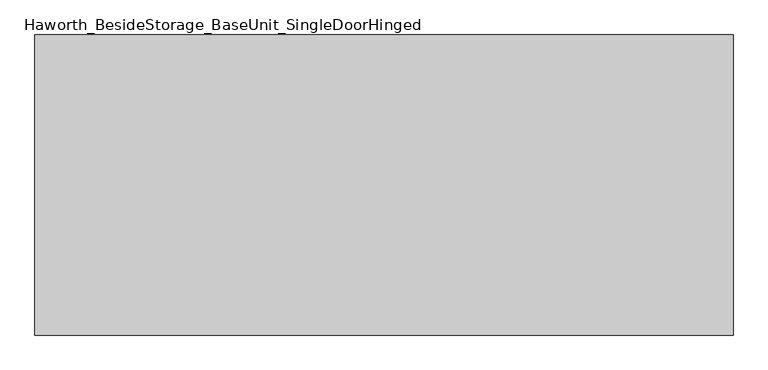
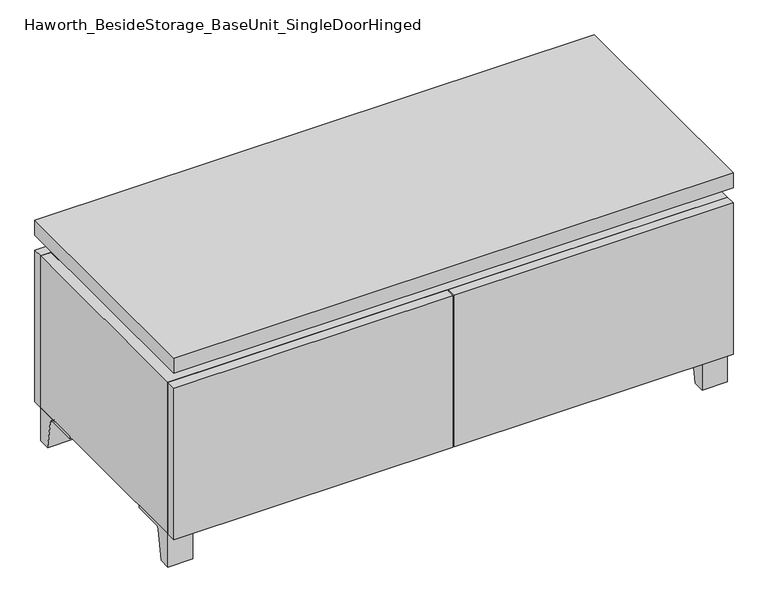
"""IFC4 building model written with IfcOpenShell, lengths in millimetres: furniture geometry, Haworth_BesideStorage_BaseUnit_SingleDoorHinged."""

from ifc_helpers import new_model, si_unit, point, frame, frame_2d, origin, place, context, project, spatial, polyline, circle_curve, trimmed, segment, composite_curve, outline, extrude, faceted_brep, source, transform, mapped, element, save


def haworth_besidestorage_baseunit_singledoorhinged_dbb16b89(model_context):
    return source(origin(), model_context, "Body", "SolidModel", [
        extrude(outline(composite_curve([segment(polyline([(-129.6458469, 0.0), (-152.4, 0.0), (-152.4, 66.675), (-57.15, 66.675), (-57.15, 61.8963321), (-113.9505345, 61.8963321)]), True, "CONTINUOUS"), segment(trimmed(circle_curve(frame_2d((-113.9505345, 55.5463321)), 6.35), [point((-113.9505345, 61.8963321))], [point((-120.2141359, 56.5902656))], True, "CARTESIAN"), True, "CONTINUOUS"), segment(polyline([(-120.2141359, 56.5902656), (-129.6458469, 0.0)]), True, "CONTINUOUS")], self_intersect=False)), frame((484.2013906, 0.0, 0.0), z_axis=(1.0, 0.0, 0.0), x_axis=(0.0, 1.0, 0.0)), (0.0, 0.0, 1.0), 47.625),
        extrude(outline(composite_curve([segment(polyline([(243.9458469, 0.0), (234.5141359, 56.5902656)]), True, "CONTINUOUS"), segment(trimmed(circle_curve(frame_2d((228.2505345, 55.5463321)), 6.35), [point((234.5141359, 56.5902656))], [point((228.2505345, 61.8963321))], True, "CARTESIAN"), True, "CONTINUOUS"), segment(polyline([(228.2505345, 61.8963321), (171.45, 61.8963321), (171.45, 66.675), (266.7, 66.675), (266.7, 0.0), (243.9458469, 0.0)]), True, "CONTINUOUS")], self_intersect=False)), frame((484.2013906, 0.0, 0.0), z_axis=(1.0, 0.0, 0.0), x_axis=(0.0, 1.0, 0.0)), (0.0, 0.0, 1.0), 47.625),
        extrude(outline(composite_curve([segment(polyline([(-129.6458469, 0.0), (-152.4, 0.0), (-152.4, 66.675), (-57.15, 66.675), (-57.15, 61.8963321), (-113.9505345, 61.8963321)]), True, "CONTINUOUS"), segment(trimmed(circle_curve(frame_2d((-113.9505345, 55.5463321)), 6.35), [point((-113.9505345, 61.8963321))], [point((-120.2141359, 56.5902656))], True, "CARTESIAN"), True, "CONTINUOUS"), segment(polyline([(-120.2141359, 56.5902656), (-129.6458469, 0.0)]), True, "CONTINUOUS")], self_intersect=False)), frame((-531.7986094, 0.0, 0.0), z_axis=(1.0, 0.0, 0.0), x_axis=(0.0, 1.0, 0.0)), (0.0, 0.0, 1.0), 47.625),
        extrude(outline(composite_curve([segment(polyline([(243.9458469, 0.0), (234.5141359, 56.5902656)]), True, "CONTINUOUS"), segment(trimmed(circle_curve(frame_2d((228.2505345, 55.5463321)), 6.35), [point((234.5141359, 56.5902656))], [point((228.2505345, 61.8963321))], True, "CARTESIAN"), True, "CONTINUOUS"), segment(polyline([(228.2505345, 61.8963321), (171.45, 61.8963321), (171.45, 66.675), (266.7, 66.675), (266.7, 0.0), (243.9458469, 0.0)]), True, "CONTINUOUS")], self_intersect=False)), frame((-531.7986094, 0.0, 0.0), z_axis=(1.0, 0.0, 0.0), x_axis=(0.0, 1.0, 0.0)), (0.0, 0.0, 1.0), 47.625),
        faceted_brep([(-531.7986094, -152.4, 66.675), (531.8125, -152.4, 66.675), (531.8125, -152.4, 371.475), (-531.7986094, -152.4, 371.475), (-512.7486094, -152.4, 85.725), (-512.7486094, -152.4, 352.425), (512.7694453, -152.4, 352.425), (512.7486094, -152.4, 85.725), (-531.7986094, 266.7, 66.675), (-531.7986094, 266.7, 371.475), (-512.7486094, 266.7, 371.475), (-512.7486094, 266.7, 85.725), (512.7486094, 266.7, 85.725), (512.7486094, 266.7, 371.475), (531.8125, 266.7, 371.475), (531.8125, 266.7, 66.675), (512.7486094, 241.3, 371.475), (-512.7416641, 241.3, 371.475), (-512.7486094, 241.3, 352.425), (512.7486094, 241.3, 352.425)], [[[0, 1, 2, 3], [4, 5, 6, 7]], [[8, 9, 10, 11, 12, 13, 14, 15]], [[1, 0, 8, 15]], [[2, 1, 15, 14]], [[3, 2, 14, 13, 16, 17, 10, 9]], [[0, 3, 9, 8]], [[11, 10, 17, 18, 5, 4]], [[13, 12, 7, 6, 19, 16]], [[4, 7, 12, 11]], [[6, 5, 18, 19]], [[17, 16, 19, 18]]]),
        extrude(outline(polyline([(531.8263906, -171.45), (-531.7986094, -171.45), (-531.7986094, 285.75), (531.8263906, 285.75), (531.8263906, -171.45)])), frame((0.0, 0.0, 401.6375), z_axis=(0.0, 0.0, 1.0), x_axis=(1.0, 0.0, 0.0)), (0.0, 0.0, 1.0), 30.1625),
        faceted_brep([(7.9513906, -76.2, 401.6375), (7.9513906, -76.2, 371.475), (7.9513906, 47.625, 371.475), (7.9513906, 47.625, 401.6375), (7.9513906, 190.5, 371.475), (7.9513906, 190.5, 401.6375), (7.9513906, 66.675, 401.6375), (7.9513906, 66.675, 371.475), (-7.9236094, 190.5, 401.6375), (-7.9236094, 190.5, 371.475), (-7.9236094, 66.675, 371.475), (-7.9236094, 66.675, 401.6375), (-7.9236094, -76.2, 371.475), (-7.9236094, -76.2, 401.6375), (-7.9236094, 47.625, 401.6375), (-7.9236094, 47.625, 371.475), (-490.4958281, 66.675, 401.6375), (-490.5166641, 241.3, 401.6375), (-506.3916641, 241.3, 401.6375), (-506.3916641, -127.0, 401.6375), (-490.5166641, -127.0, 401.6375), (-490.5166641, 47.625, 401.6375), (490.5236094, 47.625, 401.6375), (490.5236094, -127.0, 401.6375), (506.3986094, -127.0, 401.6375), (506.3986094, 241.3, 401.6375), (490.5236094, 241.3, 401.6375), (490.5236094, 66.675, 401.6375), (-490.4958281, 47.625, 371.475), (-490.5166641, -127.0, 371.475), (-506.3916641, -127.0, 371.475), (-506.3916641, 241.3, 371.475), (-490.5166641, 241.3, 371.475), (-490.5166641, 66.675, 371.475), (490.5236094, 66.675, 371.475), (490.5236094, 241.3, 371.475), (506.3986094, 241.3, 371.475), (506.3986094, -127.0, 371.475), (490.5236094, -127.0, 371.475), (490.5236094, 47.625, 371.475)], [[[0, 1, 2, 3]], [[4, 5, 6, 7]], [[8, 9, 10, 11]], [[12, 13, 14, 15]], [[5, 8, 11, 16, 17, 18, 19, 20, 21, 14, 13, 0, 3, 22, 23, 24, 25, 26, 27, 6]], [[1, 12, 15, 28, 29, 30, 31, 32, 33, 10, 9, 4, 7, 34, 35, 36, 37, 38, 39, 2]], [[5, 4, 9, 8]], [[1, 0, 13, 12]], [[6, 27, 34, 7]], [[22, 3, 2, 39]], [[20, 29, 28, 21]], [[32, 17, 16, 33]], [[18, 31, 30, 19]], [[29, 20, 19, 30]], [[17, 32, 31, 18]], [[26, 35, 34, 27]], [[38, 23, 22, 39]], [[25, 24, 37, 36]], [[23, 38, 37, 24]], [[35, 26, 25, 36]], [[16, 11, 10, 33]], [[14, 21, 28, 15]]]),
        extrude(outline(polyline([(531.8263906, 266.7), (-531.7986094, 266.7), (-531.7986094, 285.75), (531.8263906, 285.75), (531.8263906, 266.7)])), frame((0.0, 0.0, 66.675), z_axis=(0.0, 0.0, 1.0), x_axis=(1.0, 0.0, 0.0)), (0.0, 0.0, 1.0), 304.8),
        extrude(outline(polyline([(-512.7416641, 196.85), (-512.7416641, 203.2), (512.7694453, 203.2), (512.7694453, 196.85), (-512.7416641, 196.85)])), frame((0.0, 0.0, 85.725), z_axis=(0.0, 0.0, 1.0), x_axis=(1.0, 0.0, 0.0)), (0.0, 0.0, 1.0), 266.7),
        extrude(outline(polyline([(1.6013906, -171.45), (1.6013906, -152.4), (531.8263906, -152.4), (531.8263906, -171.45), (1.6013906, -171.45)])), frame((0.0, 0.0, 66.675), z_axis=(0.0, 0.0, 1.0), x_axis=(1.0, 0.0, 0.0)), (0.0, 0.0, 1.0), 304.8),
        extrude(outline(polyline([(-1.5736094, -171.45), (-531.7986094, -171.45), (-531.7986094, -152.4), (-1.5736094, -152.4), (-1.5736094, -171.45)])), frame((0.0, 0.0, 66.675), z_axis=(0.0, 0.0, 1.0), x_axis=(1.0, 0.0, 0.0)), (0.0, 0.0, 1.0), 304.8),
    ])


if __name__ == "__main__":
    model = new_model("IFC4")
    model_context = context("Model", 3, world=origin())
    ifc_project = project(units=[si_unit("LENGTHUNIT", "METRE", prefix="MILLI")], contexts=[model_context])
    site = spatial("IfcSite", under=ifc_project)
    building = spatial("IfcBuilding", under=site)
    placement = place(None, origin())
    haworth_besidestorage_baseunit_singledoorhinged_shape = haworth_besidestorage_baseunit_singledoorhinged_dbb16b89(model_context)
    element("IfcFurniture", 1, ObjectType="Haworth_BesideStorage_BaseUnit_SingleDoorHinged", at=placement, inside=building, context=model_context, shape_type="MappedRepresentation", body=[
        mapped(haworth_besidestorage_baseunit_singledoorhinged_shape, transform((0.0, 0.0, 0.0), x_axis=(1.0, 0.0, 0.0), y_axis=(0.0, 1.0, 0.0), z_axis=(0.0, 0.0, 1.0))),
    ])
    save(model, "model.ifc")
